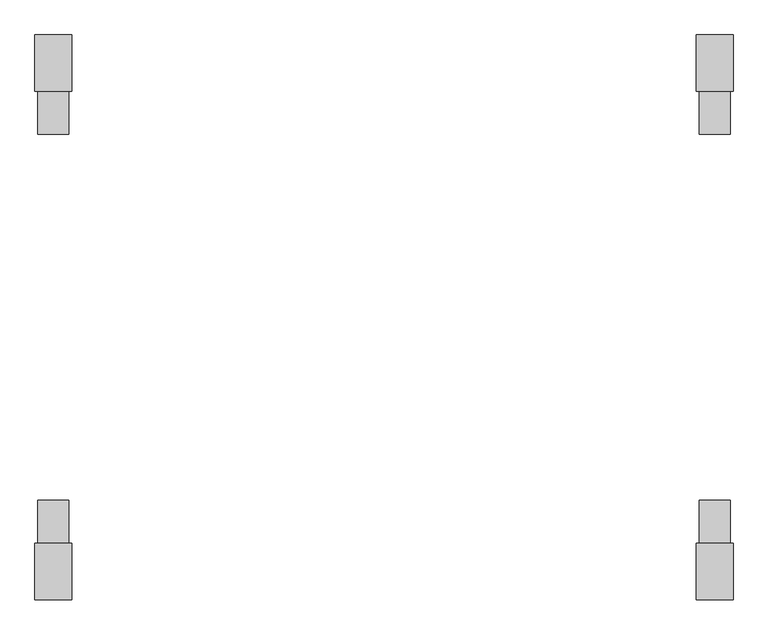
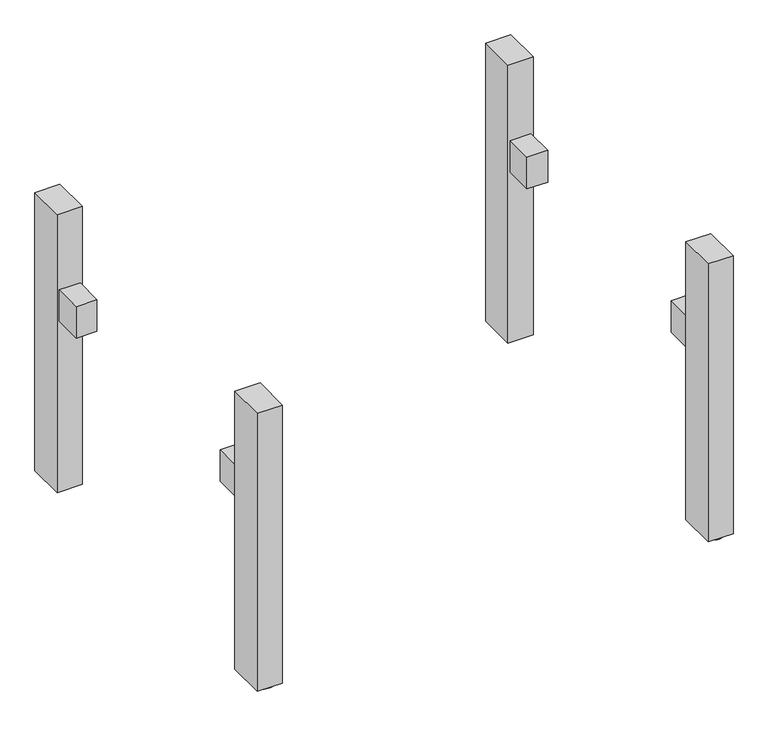
"""IFC4 building model written with IfcOpenShell, lengths in millimetres: furniture geometry."""

from ifc_helpers import new_model, si_unit, point, frame, frame_2d, origin, origin_with_axes, place, context, project, spatial, polyline, circle_curve, trimmed, segment, composite_curve, outline, extrude, source, transform, mapped, element, save


def furniture_fe1cac91(model_context):
    return source(origin(), model_context, "Body", "SweptSolid", [
        extrude(outline(polyline([(-565.0, 369.0), (-515.0, 369.0), (-515.0, 299.0), (-565.0, 299.0), (-565.0, 369.0)])), frame((0.0, 0.0, 437.5), z_axis=(0.0, 0.0, 1.0), x_axis=(1.0, 0.0, 0.0)), (0.0, 0.0, 1.0), 80.0),
        extrude(outline(polyline([(515.0, 369.0), (565.0, 369.0), (565.0, 299.0), (515.0, 299.0), (515.0, 369.0)])), frame((0.0, 0.0, 437.5), z_axis=(0.0, 0.0, 1.0), x_axis=(1.0, 0.0, 0.0)), (0.0, 0.0, 1.0), 80.0),
        extrude(outline(polyline([(-515.0, -369.0), (-565.0, -369.0), (-565.0, -299.0), (-515.0, -299.0), (-515.0, -369.0)])), frame((0.0, 0.0, 437.5), z_axis=(0.0, 0.0, 1.0), x_axis=(1.0, 0.0, 0.0)), (0.0, 0.0, 1.0), 80.0),
        extrude(outline(polyline([(565.0, -369.0), (515.0, -369.0), (515.0, -299.0), (565.0, -299.0), (565.0, -369.0)])), frame((0.0, 0.0, 437.5), z_axis=(0.0, 0.0, 1.0), x_axis=(1.0, 0.0, 0.0)), (0.0, 0.0, 1.0), 80.0),
        extrude(outline(composite_curve([segment(trimmed(circle_curve(frame_2d((-539.9999984, 431.0)), 25.0), [point((-564.9999984, 431.0))], [point((-514.9999984, 431.0))], False, "CARTESIAN"), True, "CONTINUOUS"), segment(trimmed(circle_curve(frame_2d((-539.9999984, 431.0)), 25.0), [point((-514.9999984, 431.0))], [point((-564.9999984, 431.0))], False, "CARTESIAN"), True, "CONTINUOUS")], self_intersect=False)), origin_with_axes(), (0.0, 0.0, 1.0), 6.0),
        extrude(outline(composite_curve([segment(trimmed(circle_curve(frame_2d((539.9999984, 431.0)), 25.0), [point((514.9999984, 431.0))], [point((564.9999984, 431.0))], False, "CARTESIAN"), True, "CONTINUOUS"), segment(trimmed(circle_curve(frame_2d((539.9999984, 431.0)), 25.0), [point((564.9999984, 431.0))], [point((514.9999984, 431.0))], False, "CARTESIAN"), True, "CONTINUOUS")], self_intersect=False)), origin_with_axes(), (0.0, 0.0, 1.0), 6.0),
        extrude(outline(composite_curve([segment(trimmed(circle_curve(frame_2d((-539.9999984, -431.0)), 25.0), [point((-564.9999984, -431.0))], [point((-514.9999984, -431.0))], False, "CARTESIAN"), True, "CONTINUOUS"), segment(trimmed(circle_curve(frame_2d((-539.9999984, -431.0)), 25.0), [point((-514.9999984, -431.0))], [point((-564.9999984, -431.0))], False, "CARTESIAN"), True, "CONTINUOUS")], self_intersect=False)), origin_with_axes(), (0.0, 0.0, 1.0), 6.0),
        extrude(outline(composite_curve([segment(trimmed(circle_curve(frame_2d((539.9999984, -431.0)), 25.0), [point((514.9999984, -431.0))], [point((564.9999984, -431.0))], False, "CARTESIAN"), True, "CONTINUOUS"), segment(trimmed(circle_curve(frame_2d((539.9999984, -431.0)), 25.0), [point((564.9999984, -431.0))], [point((514.9999984, -431.0))], False, "CARTESIAN"), True, "CONTINUOUS")], self_intersect=False)), origin_with_axes(), (0.0, 0.0, 1.0), 6.0),
        extrude(outline(polyline([(-509.9999968, -461.0), (-570.0, -461.0), (-570.0, -369.0), (-509.9999968, -369.0), (-509.9999968, -461.0)])), frame((0.0, 0.0, 6.0), z_axis=(0.0, 0.0, 1.0), x_axis=(1.0, 0.0, 0.0)), (0.0, 0.0, 1.0), 704.0),
        extrude(outline(polyline([(509.9999968, -461.0), (509.9999968, -369.0), (570.0, -369.0), (570.0, -461.0), (509.9999968, -461.0)])), frame((0.0, 0.0, 6.0), z_axis=(0.0, 0.0, 1.0), x_axis=(1.0, 0.0, 0.0)), (0.0, 0.0, 1.0), 704.0),
        extrude(outline(polyline([(-509.9999968, 461.0), (-509.9999968, 369.0), (-570.0, 369.0), (-570.0, 461.0), (-509.9999968, 461.0)])), frame((0.0, 0.0, 6.0), z_axis=(0.0, 0.0, 1.0), x_axis=(1.0, 0.0, 0.0)), (0.0, 0.0, 1.0), 704.0),
        extrude(outline(polyline([(509.9999968, 461.0), (570.0, 461.0), (570.0, 369.0), (509.9999968, 369.0), (509.9999968, 461.0)])), frame((0.0, 0.0, 6.0), z_axis=(0.0, 0.0, 1.0), x_axis=(1.0, 0.0, 0.0)), (0.0, 0.0, 1.0), 704.0),
    ])


if __name__ == "__main__":
    model = new_model("IFC4")
    model_context = context("Model", 3, world=origin())
    ifc_project = project(units=[si_unit("LENGTHUNIT", "METRE", prefix="MILLI")], contexts=[model_context])
    site = spatial("IfcSite", under=ifc_project)
    building = spatial("IfcBuilding", under=site)
    placement = place(None, origin())
    furniture_shape = furniture_fe1cac91(model_context)
    element("IfcFurniture", 1, at=placement, inside=building, context=model_context, shape_type="MappedRepresentation", body=[
        mapped(furniture_shape, transform((0.0, 0.0, 0.0), x_axis=(1.0, 0.0, 0.0), y_axis=(0.0, 1.0, 0.0), z_axis=(0.0, 0.0, 1.0))),
    ])
    save(model, "model.ifc")
